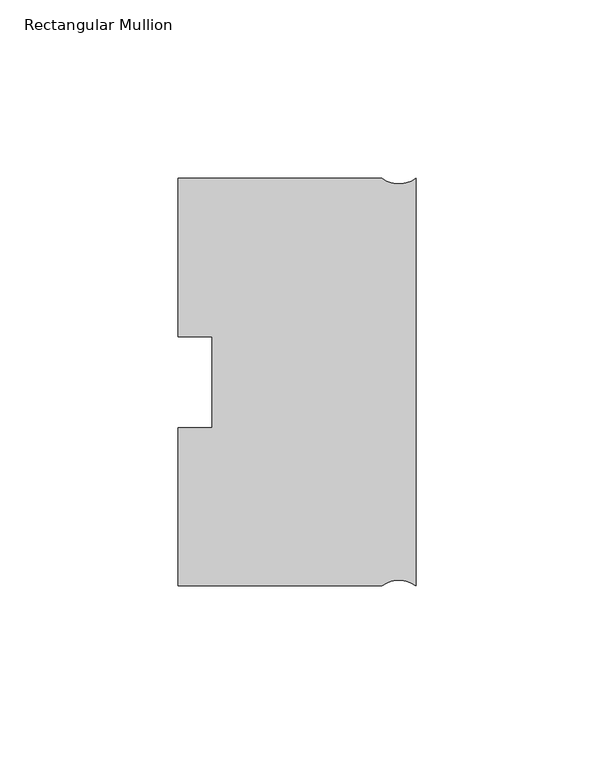
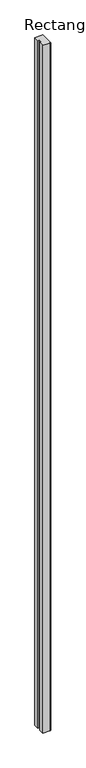
"""IFC4 building model written with IfcOpenShell, lengths in millimetres: member geometry, Rectangular Mullion."""

from ifc_helpers import new_model, si_unit, point, frame, frame_2d, origin, place, context, project, spatial, polyline, circle_curve, trimmed, segment, composite_curve, outline, extrude, source, transform, mapped, element, save


def rectangular_mullion_ae540aac(model_context):
    return source(origin(), model_context, "Body", "SweptSolid", [
        extrude(outline(composite_curve([segment(polyline([(-66.675, -57.15), (-66.675, -12.7327592), (-57.15, -12.7327592), (-57.15, 12.7), (-66.675, 12.7), (-66.675, 57.15), (-9.525, 57.15)]), True, "CONTINUOUS"), segment(trimmed(circle_curve(frame_2d((-4.7625, 63.5)), 7.9375), [point((-9.525, 57.15))], [point((0.0, 57.15))], True, "CARTESIAN"), True, "CONTINUOUS"), segment(polyline([(0.0, 57.15), (0.0, -57.15)]), True, "CONTINUOUS"), segment(trimmed(circle_curve(frame_2d((-4.7625, -63.5)), 7.9375), [point((0.0, -57.15))], [point((-9.525, -57.15))], True, "CARTESIAN"), True, "CONTINUOUS"), segment(polyline([(-9.525, -57.15), (-66.675, -57.15)]), True, "CONTINUOUS")], self_intersect=False)), frame((0.0, 0.0, -6096.0), z_axis=(0.0, 0.0, 1.0), x_axis=(1.0, 0.0, 0.0)), (0.0, 0.0, 1.0), 6096.0),
    ])


if __name__ == "__main__":
    model = new_model("IFC4")
    model_context = context("Model", 3, world=origin())
    ifc_project = project(units=[si_unit("LENGTHUNIT", "METRE", prefix="MILLI")], contexts=[model_context])
    site = spatial("IfcSite", under=ifc_project)
    building = spatial("IfcBuilding", under=site)
    placement = place(None, origin())
    rectangular_mullion_shape = rectangular_mullion_ae540aac(model_context)
    element("IfcMember", 1, ObjectType="Rectangular Mullion", at=placement, inside=building, context=model_context, shape_type="MappedRepresentation", body=[
        mapped(rectangular_mullion_shape, transform((0.0, 0.0, 0.0), x_axis=(1.0, 0.0, 0.0), y_axis=(0.0, 1.0, 0.0), z_axis=(0.0, 0.0, 1.0))),
    ])
    save(model, "model.ifc")
